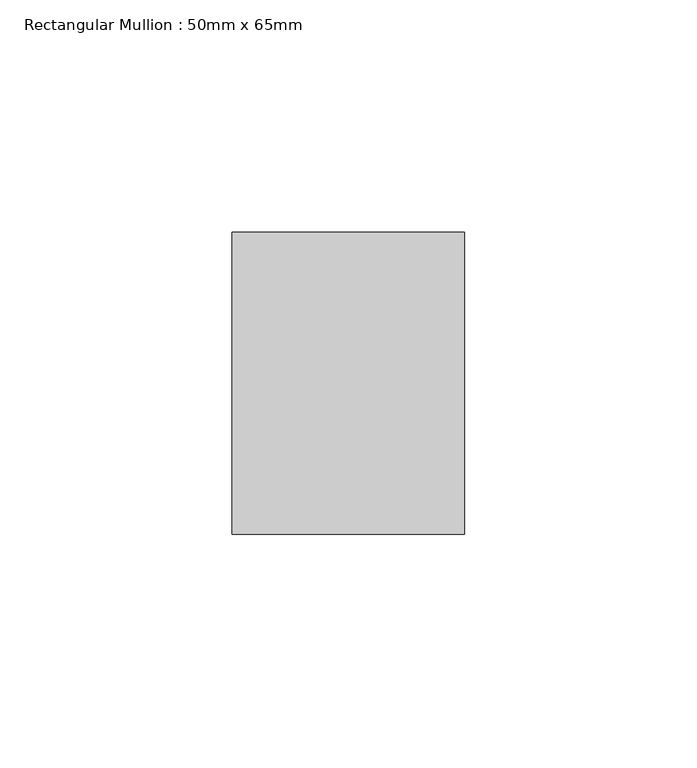
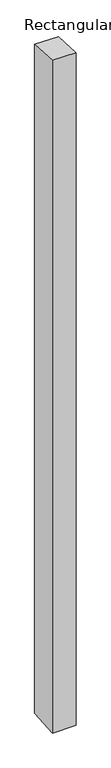
"""IFC4 building model written with IfcOpenShell, lengths in millimetres: member geometry, Rectangular Mullion : 50mm x 65mm."""

from ifc_helpers import new_model, si_unit, origin, place, context, project, spatial, faceted_brep, source, transform, mapped, element, save


def rectangular_mullion_50mm_x_65mm_26ff7a1d(model_context):
    return source(origin(), model_context, "Body", "Brep", [
        faceted_brep([(-25.0, 32.5, -1.8978753), (25.0, 32.5, -1.8978688), (25.0, 32.5, -1497.5678117), (-25.0, 32.5, -1497.5678035), (-25.0, -32.5, 1.8978688), (-25.0, -32.5, -1502.4317021), (25.0, -32.5, 1.8978753), (25.0, -32.5, -1502.4317103)], [[[0, 1, 2, 3]], [[4, 0, 3, 5]], [[6, 4, 5, 7]], [[1, 6, 7, 2]], [[1, 0, 4, 6]], [[2, 7, 5, 3]]]),
    ])


if __name__ == "__main__":
    model = new_model("IFC4")
    model_context = context("Model", 3, world=origin())
    ifc_project = project(units=[si_unit("LENGTHUNIT", "METRE", prefix="MILLI")], contexts=[model_context])
    site = spatial("IfcSite", under=ifc_project)
    building = spatial("IfcBuilding", under=site)
    placement = place(None, origin())
    rectangular_mullion_50mm_x_65mm_shape = rectangular_mullion_50mm_x_65mm_26ff7a1d(model_context)
    element("IfcMember", 1, ObjectType="Rectangular Mullion : 50mm x 65mm", at=placement, inside=building, context=model_context, shape_type="MappedRepresentation", body=[
        mapped(rectangular_mullion_50mm_x_65mm_shape, transform((0.0, 0.0, 0.0), x_axis=(1.0, 0.0, 0.0), y_axis=(0.0, 1.0, 0.0), z_axis=(0.0, 0.0, 1.0))),
    ])
    save(model, "model.ifc")
